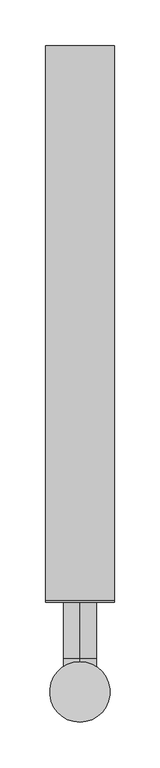
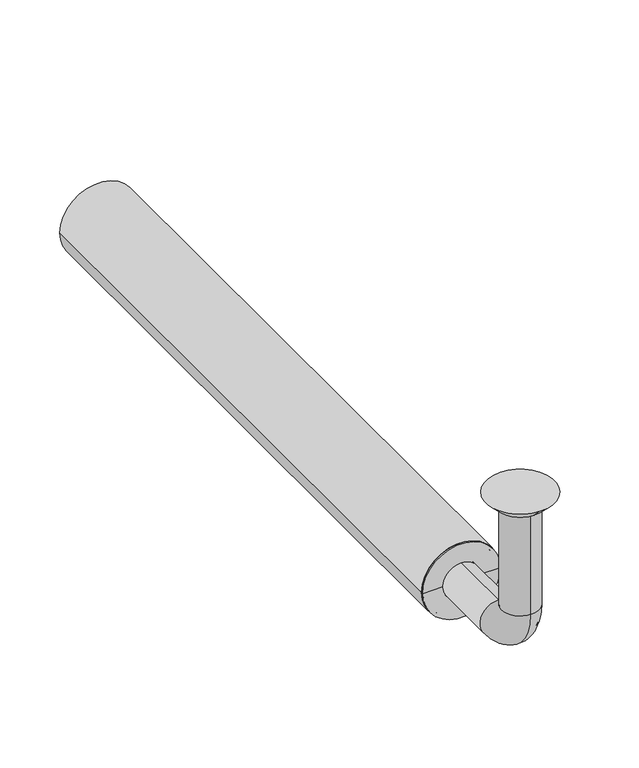
"""IFC4 building model written with IfcOpenShell, lengths in millimetres: beam geometry."""

from ifc_helpers import new_model, si_unit, point, frame, frame_2d, origin, place, context, project, spatial, polyline, circle_curve, ellipse_curve, trimmed, segment, composite_curve, outline, extrude, source, transform, mapped, element, save
from ifc_brep_helpers import plane_surface, cylinder_surface, revolved_surface, advanced_brep


def beam_12ed4d81(model_context):
    return source(origin(), model_context, "Body", "SolidModel", [
        extrude(outline(composite_curve([segment(trimmed(circle_curve(frame_2d((-150.0, 0.0)), 37.5), [point((-150.0, 37.5))], [point((-150.0, -37.5))], False, "CARTESIAN"), True, "CONTINUOUS"), segment(trimmed(circle_curve(frame_2d((-150.0, 0.0)), 37.5), [point((-150.0, -37.5))], [point((-150.0, 37.5))], False, "CARTESIAN"), True, "CONTINUOUS")], self_intersect=False), holes=[composite_curve([segment(trimmed(circle_curve(frame_2d((-150.0, 0.0)), 34.5), [point((-150.0, 34.5))], [point((-150.0, -34.5))], True, "CARTESIAN"), True, "CONTINUOUS"), segment(trimmed(circle_curve(frame_2d((-150.0, 0.0)), 34.5), [point((-150.0, -34.5))], [point((-150.0, 34.5))], True, "CARTESIAN"), True, "CONTINUOUS")], self_intersect=False)]), frame((0.0, 100.0, 0.0), z_axis=(0.0, 1.0, 0.0), x_axis=(0.0, 0.0, 1.0)), (0.0, 0.0, 1.0), 605.0),
        advanced_brep(
        [(0.0, -18.0, -10.0), (0.0, 18.0, -10.0), (0.0, -17.0, -10.0), (0.0, 17.0, -10.0), (0.0, -18.0, -114.0), (0.0, 18.0, -114.0), (0.0, -17.0, -114.0), (0.0, 17.0, -114.0), (0.0, 36.0, -132.0), (0.0, 36.0, -168.0), (0.0, 36.0, -133.0), (0.0, 36.0, -167.0), (0.0, 123.0, -168.0), (0.0, 123.0, -132.0), (0.0, 123.0, -167.0), (0.0, 123.0, -133.0)],
        [
            (0, 1, circle_curve(frame((0.0, 0.0, -10.0), z_axis=(0.0, 0.0, 1.0), x_axis=(0.0, 1.0, 0.0)), 18.0)),
            (1, 0, circle_curve(frame((0.0, 0.0, -10.0), z_axis=(0.0, 0.0, 1.0), x_axis=(0.0, 1.0, 0.0)), 18.0)),
            (2, 3, circle_curve(frame((0.0, 0.0, -10.0), z_axis=(0.0, 0.0, -1.0), x_axis=(0.0, 1.0, 0.0)), 17.0)),
            (3, 2, circle_curve(frame((0.0, 0.0, -10.0), z_axis=(0.0, 0.0, -1.0), x_axis=(0.0, 1.0, 0.0)), 17.0)),
            (0, 4),
            (4, 5, circle_curve(frame((0.0, 0.0, -114.0), z_axis=(0.0, 0.0, 1.0), x_axis=(0.0, 1.0, 0.0)), 18.0)),
            (5, 1),
            (5, 4, circle_curve(frame((0.0, 0.0, -114.0), z_axis=(0.0, 0.0, 1.0), x_axis=(0.0, 1.0, 0.0)), 18.0)),
            (2, 6),
            (6, 7, circle_curve(frame((0.0, 0.0, -114.0), z_axis=(0.0, 0.0, -1.0), x_axis=(0.0, 1.0, 0.0)), 17.0)),
            (7, 3),
            (7, 6, circle_curve(frame((0.0, 0.0, -114.0), z_axis=(0.0, 0.0, -1.0), x_axis=(0.0, 1.0, 0.0)), 17.0)),
            (8, 5, circle_curve(frame((0.0, 36.0, -114.0), z_axis=(-1.0, 0.0, 0.0), x_axis=(0.0, -1.0, 0.0)), 18.0)),
            (4, 9, circle_curve(frame((0.0, 36.0, -114.0), z_axis=(1.0, 0.0, 0.0), x_axis=(0.0, -1.0, 0.0)), 54.0)),
            (9, 8, circle_curve(frame((0.0, 36.0, -150.0), z_axis=(0.0, -1.0, 0.0), x_axis=(0.0, 0.0, 1.0)), 18.0)),
            (8, 9, circle_curve(frame((0.0, 36.0, -150.0), z_axis=(0.0, -1.0, 0.0), x_axis=(0.0, 0.0, 1.0)), 18.0)),
            (10, 7, circle_curve(frame((0.0, 36.0, -114.0), z_axis=(-1.0, 0.0, 0.0), x_axis=(0.0, -1.0, 0.0)), 19.0)),
            (6, 11, circle_curve(frame((0.0, 36.0, -114.0), z_axis=(1.0, 0.0, 0.0), x_axis=(0.0, -1.0, 0.0)), 53.0)),
            (11, 10, circle_curve(frame((0.0, 36.0, -150.0), z_axis=(0.0, 1.0, 0.0), x_axis=(0.0, 0.0, 1.0)), 17.0)),
            (10, 11, circle_curve(frame((0.0, 36.0, -150.0), z_axis=(0.0, 1.0, 0.0), x_axis=(0.0, 0.0, 1.0)), 17.0)),
            (12, 13, circle_curve(frame((0.0, 123.0, -150.0), z_axis=(0.0, 1.0, 0.0), x_axis=(0.0, 0.0, 1.0)), 18.0)),
            (13, 12, circle_curve(frame((0.0, 123.0, -150.0), z_axis=(0.0, 1.0, 0.0), x_axis=(0.0, 0.0, 1.0)), 18.0)),
            (14, 15, circle_curve(frame((0.0, 123.0, -150.0), z_axis=(0.0, -1.0, 0.0), x_axis=(0.0, 0.0, 1.0)), 17.0)),
            (15, 14, circle_curve(frame((0.0, 123.0, -150.0), z_axis=(0.0, -1.0, 0.0), x_axis=(0.0, 0.0, 1.0)), 17.0)),
            (9, 12),
            (13, 8),
            (11, 14),
            (15, 10),
        ],
        [
            plane_surface(frame((0.0, 0.0, -10.0), z_axis=(0.0, 0.0, 1.0), x_axis=(1.0, 0.0, 0.0))),
            cylinder_surface(frame((0.0, 0.0, -10.0), z_axis=(0.0, 0.0, 1.0), x_axis=(0.0, 1.0, 0.0)), 18.0),
            revolved_surface(polyline([(0.0, 17.0, -114.0), (0.0, 17.0, -10.0)]), (0.0, 0.0, -10.0), (0.0, 0.0, -1.0)),
            revolved_surface(trimmed(ellipse_curve(frame((0.0, 0.0, -114.0), z_axis=(0.0, 0.0, 1.0), x_axis=(0.0, 1.0, 0.0)), 18.0, 18.0), [point((0.0, -18.0, -114.0))], [point((0.0, 18.0, -114.0))], True, "CARTESIAN"), (0.0, 36.0, -114.0), (1.0, 0.0, 0.0)),
            revolved_surface(trimmed(ellipse_curve(frame((0.0, 0.0, -114.0), z_axis=(0.0, 0.0, 1.0), x_axis=(0.0, 1.0, 0.0)), 18.0, 18.0), [point((0.0, 18.0, -114.0))], [point((0.0, -18.0, -114.0))], True, "CARTESIAN"), (0.0, 36.0, -114.0), (1.0, 0.0, 0.0)),
            revolved_surface(trimmed(ellipse_curve(frame((0.0, 0.0, -114.0), z_axis=(0.0, 0.0, -1.0), x_axis=(0.0, 1.0, 0.0)), 17.0, 17.0), [point((0.0, -17.0, -114.0))], [point((0.0, 17.0, -114.0))], True, "CARTESIAN"), (0.0, 36.0, -114.0), (1.0, 0.0, 0.0)),
            revolved_surface(trimmed(ellipse_curve(frame((0.0, 0.0, -114.0), z_axis=(0.0, 0.0, -1.0), x_axis=(0.0, 1.0, 0.0)), 17.0, 17.0), [point((0.0, 17.0, -114.0))], [point((0.0, -17.0, -114.0))], True, "CARTESIAN"), (0.0, 36.0, -114.0), (1.0, 0.0, 0.0)),
            plane_surface(frame((0.0, 123.0, -150.0), z_axis=(0.0, 1.0, 0.0), x_axis=(1.0, 0.0, 0.0))),
            cylinder_surface(frame((0.0, 36.0, -150.0), z_axis=(0.0, -1.0, 0.0), x_axis=(0.0, 0.0, 1.0)), 18.0),
            revolved_surface(polyline([(0.0, 123.0, -133.0), (0.0, 36.0, -133.0)]), (0.0, 36.0, -150.0), (0.0, 1.0, 0.0)),
        ],
        [
            (0, [[1, 2], [3, 4]]),
            (1, [[-1, 5, 6, 7]]),
            (1, [[-2, -7, 8, -5]]),
            (2, [[-3, 9, 10, 11]]),
            (2, [[-4, -11, 12, -9]]),
            (3, [[13, -6, 14, 15]]),
            (4, [[-14, -8, -13, 16]]),
            (5, [[17, -10, 18, 19]]),
            (6, [[-18, -12, -17, 20]]),
            (7, [[21, 22], [23, 24]]),
            (8, [[-15, 25, -22, 26]]),
            (8, [[-16, -26, -21, -25]]),
            (9, [[-19, 27, -24, 28]]),
            (9, [[-20, -28, -23, -27]]),
        ],
    ),
        advanced_brep(
        [(0.0, 23.0, -10.0), (0.0, -23.0, -10.0), (0.0, 33.0, 0.0), (0.0, -33.0, 0.0)],
        [
            (0, 1, circle_curve(frame((0.0, 0.0, -10.0), z_axis=(0.0, 0.0, -1.0), x_axis=(0.0, 1.0, 0.0)), 23.0)),
            (1, 0, circle_curve(frame((0.0, 0.0, -10.0), z_axis=(0.0, 0.0, -1.0), x_axis=(0.0, -1.0, 0.0)), 23.0)),
            (2, 3, circle_curve(frame((0.0, 0.0, 0.0), z_axis=(0.0, 0.0, 1.0), x_axis=(0.0, -1.0, 0.0)), 33.0)),
            (3, 2, circle_curve(frame((0.0, 0.0, 0.0), z_axis=(0.0, 0.0, 1.0), x_axis=(0.0, 1.0, 0.0)), 33.0)),
            (3, 1),
            (0, 2),
        ],
        [
            plane_surface(frame((0.0, 0.0, -10.0), z_axis=(0.0, 0.0, -1.0), x_axis=(-1.0, 0.0, 0.0))),
            plane_surface(frame((0.0, 0.0, 0.0), z_axis=(0.0, 0.0, 1.0), x_axis=(-1.0, 0.0, 0.0))),
            revolved_surface(polyline([(0.0, 23.0, -10.0), (0.0, 33.0, 0.0)]), (0.0, 0.0, -33.0), (0.0, 0.0, 1.0)),
            revolved_surface(polyline([(0.0, -23.0, -10.0), (0.0, -33.0, 0.0)]), (0.0, 0.0, -33.0), (0.0, 0.0, 1.0)),
        ],
        [
            (0, [[1, 2]]),
            (1, [[3, 4]]),
            (2, [[-4, 5, -1, 6]]),
            (3, [[-3, -6, -2, -5]]),
        ],
    ),
        advanced_brep(
        [(34.5, 100.0, -150.0), (-34.5, 100.0, -150.0), (-34.5, 123.0, -150.0), (34.5, 123.0, -150.0), (-18.0, 123.0, -150.0), (18.0, 123.0, -150.0), (-18.0, 98.0, -150.0), (18.0, 98.0, -150.0), (-37.5, 98.0, -150.0), (37.5, 98.0, -150.0), (-37.5, 100.0, -150.0), (37.5, 100.0, -150.0)],
        [
            (0, 1, circle_curve(frame((0.0, 100.0, -150.0), z_axis=(0.0, 1.0, 0.0), x_axis=(-1.0, 0.0, 0.0)), 34.5)),
            (1, 2),
            (2, 3, circle_curve(frame((0.0, 123.0, -150.0), z_axis=(0.0, -1.0, 0.0), x_axis=(-1.0, 0.0, 0.0)), 34.5)),
            (3, 0),
            (1, 0, circle_curve(frame((0.0, 100.0, -150.0), z_axis=(0.0, 1.0, 0.0), x_axis=(-1.0, 0.0, 0.0)), 34.5)),
            (3, 2, circle_curve(frame((0.0, 123.0, -150.0), z_axis=(0.0, -1.0, 0.0), x_axis=(-1.0, 0.0, 0.0)), 34.5)),
            (2, 4),
            (4, 5, circle_curve(frame((0.0, 123.0, -150.0), z_axis=(0.0, -1.0, 0.0), x_axis=(-1.0, 0.0, 0.0)), 18.0)),
            (5, 3),
            (5, 4, circle_curve(frame((0.0, 123.0, -150.0), z_axis=(0.0, -1.0, 0.0), x_axis=(-1.0, 0.0, 0.0)), 18.0)),
            (4, 6),
            (6, 7, circle_curve(frame((0.0, 98.0, -150.0), z_axis=(0.0, -1.0, 0.0), x_axis=(-1.0, 0.0, 0.0)), 18.0)),
            (7, 5),
            (7, 6, circle_curve(frame((0.0, 98.0, -150.0), z_axis=(0.0, -1.0, 0.0), x_axis=(-1.0, 0.0, 0.0)), 18.0)),
            (6, 8),
            (8, 9, circle_curve(frame((0.0, 98.0, -150.0), z_axis=(0.0, -1.0, 0.0), x_axis=(-1.0, 0.0, 0.0)), 37.5)),
            (9, 7),
            (9, 8, circle_curve(frame((0.0, 98.0, -150.0), z_axis=(0.0, -1.0, 0.0), x_axis=(-1.0, 0.0, 0.0)), 37.5)),
            (8, 10),
            (10, 11, circle_curve(frame((0.0, 100.0, -150.0), z_axis=(0.0, -1.0, 0.0), x_axis=(-1.0, 0.0, 0.0)), 37.5)),
            (11, 9),
            (11, 10, circle_curve(frame((0.0, 100.0, -150.0), z_axis=(0.0, -1.0, 0.0), x_axis=(-1.0, 0.0, 0.0)), 37.5)),
            (10, 1),
            (0, 11),
        ],
        [
            cylinder_surface(frame((0.0, 98.0, -150.0), z_axis=(0.0, -1.0, 0.0), x_axis=(-1.0, 0.0, 0.0)), 34.5),
            plane_surface(frame((0.0, 123.0, -150.0), z_axis=(0.0, 1.0, 0.0), x_axis=(-1.0, 0.0, 0.0))),
            revolved_surface(polyline([(-18.0, 98.0, -150.0), (-18.0, 123.0, -150.0)]), (0.0, 98.0, -150.0), (0.0, -1.0, 0.0)),
            plane_surface(frame((0.0, 98.0, -150.0), z_axis=(0.0, -1.0, 0.0), x_axis=(-1.0, 0.0, 0.0))),
            cylinder_surface(frame((0.0, 98.0, -150.0), z_axis=(0.0, -1.0, 0.0), x_axis=(-1.0, 0.0, 0.0)), 37.5),
            plane_surface(frame((0.0, 100.0, -150.0), z_axis=(0.0, 1.0, 0.0), x_axis=(-1.0, 0.0, 0.0))),
        ],
        [
            (0, [[1, 2, 3, 4]]),
            (0, [[5, -4, 6, -2]]),
            (1, [[-3, 7, 8, 9]]),
            (1, [[-6, -9, 10, -7]]),
            (2, [[-8, 11, 12, 13]]),
            (2, [[-10, -13, 14, -11]]),
            (3, [[-12, 15, 16, 17]]),
            (3, [[-14, -17, 18, -15]]),
            (4, [[-16, 19, 20, 21]]),
            (4, [[-18, -21, 22, -19]]),
            (5, [[-20, 23, -1, 24]]),
            (5, [[-22, -24, -5, -23]]),
        ],
    ),
    ])


if __name__ == "__main__":
    model = new_model("IFC4")
    model_context = context("Model", 3, world=origin())
    ifc_project = project(units=[si_unit("LENGTHUNIT", "METRE", prefix="MILLI")], contexts=[model_context])
    site = spatial("IfcSite", under=ifc_project)
    building = spatial("IfcBuilding", under=site)
    placement = place(None, origin())
    beam_shape = beam_12ed4d81(model_context)
    element("IfcBeam", 1, at=placement, inside=building, context=model_context, shape_type="MappedRepresentation", body=[
        mapped(beam_shape, transform((0.0, 0.0, 0.0), x_axis=(1.0, 0.0, 0.0), y_axis=(0.0, 1.0, 0.0), z_axis=(0.0, 0.0, 1.0))),
    ])
    save(model, "model.ifc")
